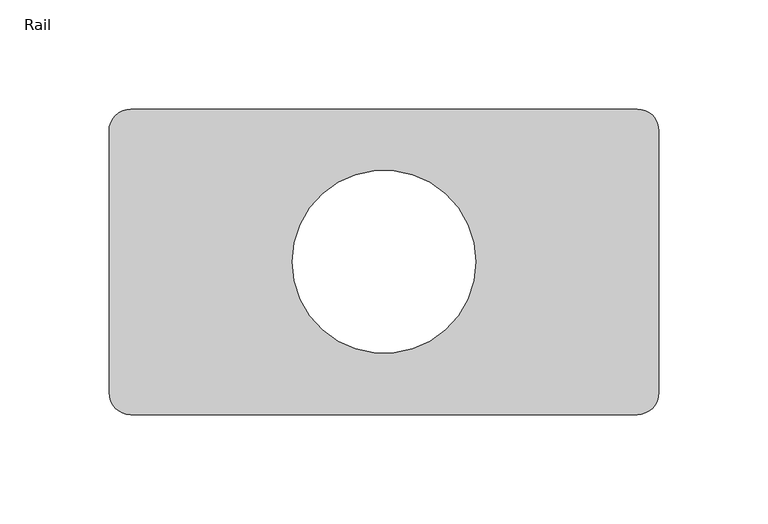
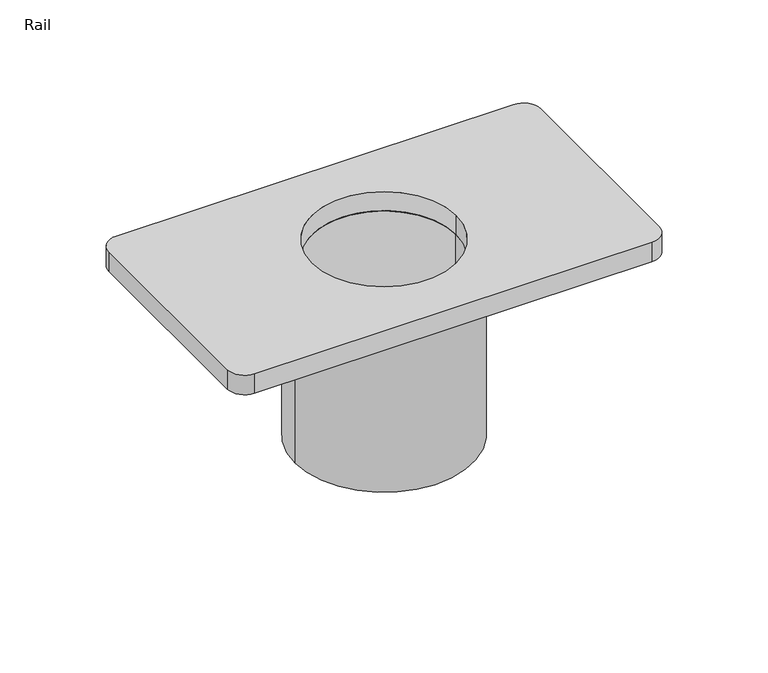
"""IFC4 building model written with IfcOpenShell, lengths in millimetres: proxy geometry, Rail."""

from ifc_helpers import new_model, si_unit, point, frame, frame_2d, origin, place, context, project, spatial, polyline, circle_curve, trimmed, segment, composite_curve, outline, extrude, source, transform, mapped, element, save
from ifc_brep_helpers import plane_surface, cylinder_surface, revolved_surface, advanced_brep


def rail_f90a2f93(model_context):
    return source(origin(), model_context, "Body", "SolidModel", [
        extrude(outline(composite_curve([segment(trimmed(circle_curve(frame_2d((0.0418122, -0.0001763)), 51.8456546), [point((-51.8038424, -0.0001763))], [point((51.8874668, -0.0001763))], False, "CARTESIAN"), True, "CONTINUOUS"), segment(trimmed(circle_curve(frame_2d((0.0418122, -0.0001763)), 51.8456546), [point((51.8874668, -0.0001763))], [point((-51.8038424, -0.0001763))], False, "CARTESIAN"), True, "CONTINUOUS")], self_intersect=False), holes=[composite_curve([segment(trimmed(circle_curve(frame_2d((0.0417151, -0.0001763)), 42.0), [point((-41.9582849, -0.0001763))], [point((42.0417151, -0.0001763))], True, "CARTESIAN"), True, "CONTINUOUS"), segment(trimmed(circle_curve(frame_2d((0.0417151, -0.0001763)), 42.0), [point((42.0417151, -0.0001763))], [point((-41.9582849, -0.0001763))], True, "CARTESIAN"), True, "CONTINUOUS")], self_intersect=False)]), frame((0.0, 0.0, 2779.972), z_axis=(0.0, 0.0, 1.0), x_axis=(1.0, 0.0, 0.0)), (0.0, 0.0, 1.0), 108.028),
        advanced_brep(
        [(116.0417151, 70.0001763, 2900.0), (-115.9580115, 70.0001763, 2900.0), (-125.9580907, 59.9375845, 2900.0), (-125.9580907, -60.0000971, 2900.0), (-116.0419885, -69.9998237, 2900.0), (116.0419885, -69.9998237, 2900.0), (126.0417151, -60.0001763, 2900.0), (126.0419093, 60.0001763, 2900.0), (-41.9582849, -0.0001763, 2900.0), (42.0417151, -0.0001763, 2900.0), (116.0417151, 69.9998237, 2888.0), (126.0417151, 59.9998237, 2888.0), (126.0419093, -60.0001763, 2888.0), (116.0419885, -69.9998237, 2888.0), (-116.0419885, -69.9998237, 2888.0), (-125.9580907, -60.0000971, 2888.0), (-125.9580907, 59.9375845, 2888.0), (-115.9580115, 70.0001763, 2888.0), (-41.9582849, -0.0001763, 2888.0), (42.0417151, -0.0001763, 2888.0)],
        [
            (0, 1),
            (1, 2, circle_curve(frame((-115.9580115, 59.9999029, 2900.0), z_axis=(0.0, 0.0, 1.0), x_axis=(1.0, 0.0, 0.0)), 10.0002734)),
            (2, 3),
            (3, 4, circle_curve(frame((-115.9580115, -60.0000971, 2900.0), z_axis=(0.0, 0.0, 1.0), x_axis=(1.0, 0.0, 0.0)), 10.0000792)),
            (4, 5),
            (5, 6, circle_curve(frame((116.0419885, -60.0000971, 2900.0), z_axis=(0.0, 0.0, 1.0), x_axis=(1.0, 0.0, 0.0)), 9.9997266)),
            (6, 7),
            (7, 0, circle_curve(frame((116.0417151, 59.9998237, 2900.0), z_axis=(0.0, 0.0, 1.0), x_axis=(1.0, 0.0, 0.0)), 10.0)),
            (8, 9, circle_curve(frame((0.0417151, -0.0001763, 2900.0), z_axis=(0.0, 0.0, -1.0), x_axis=(1.0, 0.0, 0.0)), 42.0)),
            (9, 8, circle_curve(frame((0.0417151, -0.0001763, 2900.0), z_axis=(0.0, 0.0, -1.0), x_axis=(1.0, 0.0, 0.0)), 42.0)),
            (10, 11, circle_curve(frame((116.0417151, 59.9998237, 2888.0), z_axis=(0.0, 0.0, -1.0), x_axis=(1.0, 0.0, 0.0)), 10.0)),
            (11, 12),
            (12, 13, circle_curve(frame((116.0419885, -60.0000971, 2888.0), z_axis=(0.0, 0.0, -1.0), x_axis=(1.0, 0.0, 0.0)), 9.9997266)),
            (13, 14),
            (14, 15, circle_curve(frame((-115.9580115, -60.0000971, 2888.0), z_axis=(0.0, 0.0, -1.0), x_axis=(1.0, 0.0, 0.0)), 10.0000792)),
            (15, 16),
            (16, 17, circle_curve(frame((-115.9580115, 59.9999029, 2888.0), z_axis=(0.0, 0.0, -1.0), x_axis=(1.0, 0.0, 0.0)), 10.0002734)),
            (17, 10),
            (18, 19, circle_curve(frame((0.0417151, -0.0001763, 2888.0), z_axis=(0.0, 0.0, 1.0), x_axis=(1.0, 0.0, 0.0)), 42.0)),
            (19, 18, circle_curve(frame((0.0417151, -0.0001763, 2888.0), z_axis=(0.0, 0.0, 1.0), x_axis=(1.0, 0.0, 0.0)), 42.0)),
            (0, 10),
            (17, 1),
            (16, 2),
            (15, 3),
            (14, 4),
            (13, 5),
            (12, 6),
            (11, 7),
            (8, 18),
            (19, 9),
        ],
        [
            plane_surface(frame((-115.9580907, 70.0001763, 2900.0), z_axis=(0.0, 0.0, 1.0), x_axis=(-1.0, 1.351579924728521e-12, 0.0))),
            plane_surface(frame((-115.9580907, 70.0001763, 2888.0), z_axis=(0.0, 0.0, -1.0), x_axis=(1.0, -1.351579924728521e-12, 0.0))),
            plane_surface(frame((116.0417151, 70.0001763, 2900.0), z_axis=(1.351579924728521e-12, 1.0, 0.0), x_axis=(0.0, 0.0, -1.0))),
            cylinder_surface(frame((-115.9580115, 59.9999029, 2888.0), z_axis=(0.0, 0.0, 1.0), x_axis=(1.0, 0.0, 0.0)), 10.0002734),
            plane_surface(frame((-125.9580907, 59.9375845, 2900.0), z_axis=(-1.0, 3.1160315003895646e-11, 0.0), x_axis=(0.0, 0.0, -1.0))),
            cylinder_surface(frame((-115.9580115, -60.0000971, 2888.0), z_axis=(0.0, 0.0, 1.0), x_axis=(1.0, 0.0, 0.0)), 10.0000792),
            plane_surface(frame((-116.0419885, -69.9998237, 2900.0), z_axis=(-1.3514173450994454e-12, -1.0, 0.0), x_axis=(0.0, 0.0, -1.0))),
            cylinder_surface(frame((116.0419885, -60.0000971, 2888.0), z_axis=(0.0, 0.0, 1.0), x_axis=(1.0, 0.0, 0.0)), 9.9997266),
            plane_surface(frame((126.0419093, -60.0001763, 2900.0), z_axis=(1.0, 0.0, 0.0), x_axis=(0.0, 0.0, -1.0))),
            cylinder_surface(frame((116.0417151, 59.9998237, 2888.0), z_axis=(0.0, 0.0, 1.0), x_axis=(1.0, 0.0, 0.0)), 10.0),
            revolved_surface(polyline([(42.0417151, -0.0001763, 2888.0), (42.0417151, -0.0001763, 2900.0)]), (0.0417151, -0.0001763, -80.0), (0.0, 0.0, -1.0)),
        ],
        [
            (0, [[1, 2, 3, 4, 5, 6, 7, 8], [9, 10]]),
            (1, [[11, 12, 13, 14, 15, 16, 17, 18], [19, 20]]),
            (2, [[-1, 21, -18, 22]]),
            (3, [[-2, -22, -17, 23]]),
            (4, [[-3, -23, -16, 24]]),
            (5, [[-4, -24, -15, 25]]),
            (6, [[-5, -25, -14, 26]]),
            (7, [[-6, -26, -13, 27]]),
            (8, [[-7, -27, -12, 28]]),
            (9, [[-8, -28, -11, -21]]),
            (10, [[-9, 29, -20, 30]]),
            (10, [[-10, -30, -19, -29]]),
        ],
    ),
    ])


if __name__ == "__main__":
    model = new_model("IFC4")
    model_context = context("Model", 3, world=origin())
    ifc_project = project(units=[si_unit("LENGTHUNIT", "METRE", prefix="MILLI")], contexts=[model_context])
    site = spatial("IfcSite", under=ifc_project)
    building = spatial("IfcBuilding", under=site)
    placement = place(None, origin())
    rail_shape = rail_f90a2f93(model_context)
    element("IfcBuildingElementProxy", 1, Name="Rail", ObjectType="Rail", at=placement, inside=building, context=model_context, shape_type="MappedRepresentation", body=[
        mapped(rail_shape, transform((0.0, 0.0, 0.0), x_axis=(1.0, 0.0, 0.0), y_axis=(0.0, 1.0, 0.0), z_axis=(0.0, 0.0, 1.0))),
    ])
    save(model, "model.ifc")
